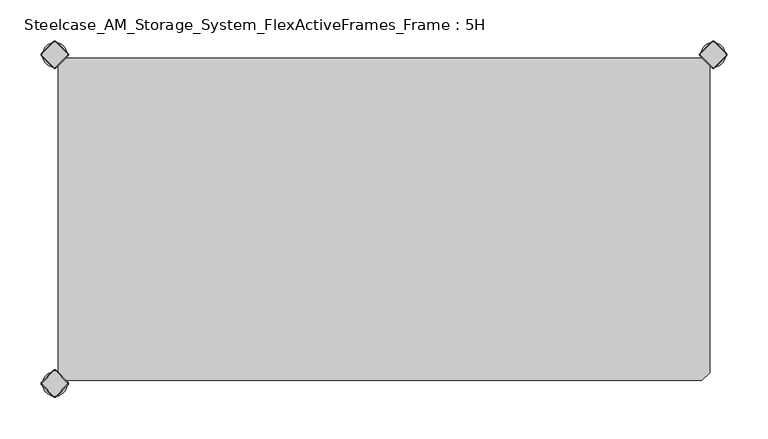
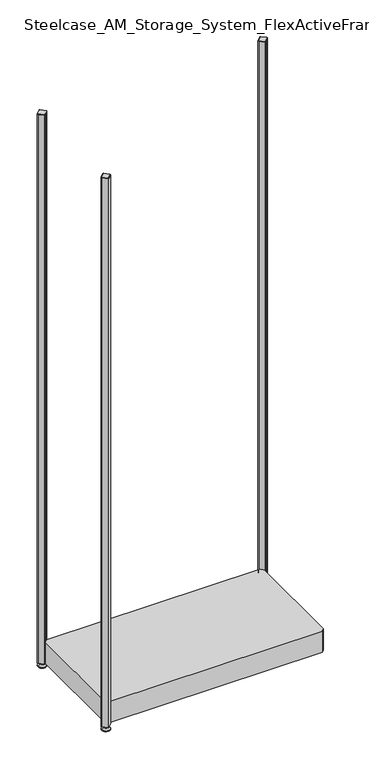
"""IFC4 building model written with IfcOpenShell, lengths in millimetres: furniture geometry, Steelcase_AM_Storage_System_FlexActiveFrames_Frame : 5H."""

from ifc_helpers import new_model, si_unit, point, frame, frame_2d, origin, place, context, project, spatial, polyline, circle_curve, trimmed, segment, composite_curve, outline, extrude, source, transform, mapped, element, save
from ifc_brep_helpers import plane_surface, cylinder_surface, revolved_surface, advanced_brep


def steelcase_am_storage_system_flexactiveframes_frame_5h_1565d2d5(model_context):
    return source(origin(), model_context, "Body", "SolidModel", [
        advanced_brep(
        [(785.0, 0.0, 0.0), (815.0, 0.0, 0.0), (800.0, 0.0, 0.0), (785.0, 0.0, 2.0), (815.0, 0.0, 2.0), (792.0, 0.0, 9.0), (808.0, 0.0, 9.0), (796.0, 0.0, 9.0), (804.0, 0.0, 9.0), (796.0, 0.0, 15.0), (804.0, 0.0, 15.0), (800.0, 0.0, 15.0)],
        [
            (0, 1, circle_curve(frame((800.0, 0.0, 0.0), z_axis=(0.0, 0.0, -1.0), x_axis=(1.0, 0.0, 0.0)), 15.0)),
            (1, 2),
            (2, 0),
            (1, 0, circle_curve(frame((800.0, 0.0, 0.0), z_axis=(0.0, 0.0, -1.0), x_axis=(1.0, 0.0, 0.0)), 15.0)),
            (3, 4, circle_curve(frame((800.0, 0.0, 2.0), z_axis=(0.0, 0.0, -1.0), x_axis=(1.0, 0.0, 0.0)), 15.0)),
            (4, 1),
            (0, 3),
            (4, 3, circle_curve(frame((800.0, 0.0, 2.0), z_axis=(0.0, 0.0, -1.0), x_axis=(1.0, 0.0, 0.0)), 15.0)),
            (5, 6, circle_curve(frame((800.0, 0.0, 9.0), z_axis=(0.0, 0.0, -1.0), x_axis=(1.0, 0.0, 0.0)), 8.0)),
            (6, 4),
            (3, 5),
            (6, 5, circle_curve(frame((800.0, 0.0, 9.0), z_axis=(0.0, 0.0, -1.0), x_axis=(1.0, 0.0, 0.0)), 8.0)),
            (7, 8, circle_curve(frame((800.0, 0.0, 9.0), z_axis=(0.0, 0.0, -1.0), x_axis=(1.0, 0.0, 0.0)), 4.0)),
            (8, 6),
            (5, 7),
            (8, 7, circle_curve(frame((800.0, 0.0, 9.0), z_axis=(0.0, 0.0, -1.0), x_axis=(1.0, 0.0, 0.0)), 4.0)),
            (9, 10, circle_curve(frame((800.0, 0.0, 15.0), z_axis=(0.0, 0.0, -1.0), x_axis=(1.0, 0.0, 0.0)), 4.0)),
            (10, 8),
            (7, 9),
            (10, 9, circle_curve(frame((800.0, 0.0, 15.0), z_axis=(0.0, 0.0, -1.0), x_axis=(1.0, 0.0, 0.0)), 4.0)),
            (11, 10),
            (9, 11),
        ],
        [
            plane_surface(frame((800.0, 0.0, 0.0), z_axis=(0.0, 0.0, -1.0), x_axis=(1.0, 0.0, 0.0))),
            cylinder_surface(frame((800.0, 0.0, 18.6083303), z_axis=(0.0, 0.0, 1.0), x_axis=(1.0, 0.0, 0.0)), 15.0),
            revolved_surface(polyline([(815.0, 0.0, 2.0), (808.0, 0.0, 9.0)]), (800.0, 0.0, 18.6083303), (0.0, 0.0, 1.0)),
            plane_surface(frame((800.0, 0.0, 9.0), z_axis=(0.0, 0.0, 1.0), x_axis=(1.0, 0.0, 0.0))),
            cylinder_surface(frame((800.0, 0.0, 18.6083303), z_axis=(0.0, 0.0, 1.0), x_axis=(1.0, 0.0, 0.0)), 4.0),
            plane_surface(frame((800.0, 0.0, 15.0), z_axis=(0.0, 0.0, 1.0), x_axis=(1.0, 0.0, 0.0))),
        ],
        [
            (0, [[1, 2, 3]]),
            (0, [[4, -3, -2]]),
            (1, [[5, 6, -1, 7]]),
            (1, [[8, -7, -4, -6]]),
            (2, [[9, 10, -5, 11]]),
            (2, [[12, -11, -8, -10]]),
            (3, [[13, 14, -9, 15]]),
            (3, [[16, -15, -12, -14]]),
            (4, [[17, 18, -13, 19]]),
            (4, [[20, -19, -16, -18]]),
            (5, [[21, -17, 22]]),
            (5, [[-22, -20, -21]]),
        ],
    ),
        advanced_brep(
        [(798.7979185, 15.3442172, 2117.0), (784.6557828, 1.2020815, 2117.0), (784.6557828, -1.2020815, 2117.0), (798.7979185, -15.3442172, 2117.0), (801.2020815, -15.3442172, 2117.0), (815.3442172, -1.2020815, 2117.0), (815.3442172, 1.2020815, 2117.0), (801.2020815, 15.3442172, 2117.0), (798.232233, 15.9099026, 2115.0), (801.767767, 15.9099026, 2115.0), (815.9099026, 1.767767, 2115.0), (815.9099026, -1.767767, 2115.0), (801.767767, -15.9099026, 2115.0), (798.232233, -15.9099026, 2115.0), (784.0900974, -1.767767, 2115.0), (784.0900974, 1.767767, 2115.0)],
        [
            (0, 1),
            (1, 2, circle_curve(frame((785.8578644, 0.0, 2117.0), z_axis=(0.0, 0.0, 1.0), x_axis=(-0.7071067811865537, 0.7071067811865414, 0.0)), 1.7)),
            (2, 3),
            (3, 4, circle_curve(frame((800.0, -14.1421356, 2117.0), z_axis=(0.0, 0.0, 1.0), x_axis=(-0.7071067811865491, -0.707106781186546, 0.0)), 1.7)),
            (4, 5),
            (5, 6, circle_curve(frame((814.1421356, 0.0, 2117.0), z_axis=(0.0, 0.0, 1.0), x_axis=(0.707106781186539, -0.7071067811865559, 0.0)), 1.7)),
            (6, 7),
            (7, 0, circle_curve(frame((800.0, 14.1421356, 2117.0), z_axis=(0.0, 0.0, 1.0), x_axis=(0.7071067811865458, 0.7071067811865492, 0.0)), 1.7)),
            (8, 9, circle_curve(frame((800.0, 14.1421356, 2115.0), z_axis=(0.0, 0.0, -1.0), x_axis=(0.7071067811865458, 0.7071067811865492, 0.0)), 2.5)),
            (9, 10),
            (10, 11, circle_curve(frame((814.1421356, 0.0, 2115.0), z_axis=(0.0, 0.0, -1.0), x_axis=(0.707106781186539, -0.7071067811865559, 0.0)), 2.5)),
            (11, 12),
            (12, 13, circle_curve(frame((800.0, -14.1421356, 2115.0), z_axis=(0.0, 0.0, -1.0), x_axis=(-0.7071067811865491, -0.707106781186546, 0.0)), 2.5)),
            (13, 14),
            (14, 15, circle_curve(frame((785.8578644, 0.0, 2115.0), z_axis=(0.0, 0.0, -1.0), x_axis=(-0.7071067811865537, 0.7071067811865414, 0.0)), 2.5)),
            (15, 8),
            (15, 1),
            (0, 8),
            (14, 2),
            (13, 3),
            (12, 4),
            (11, 5),
            (10, 6),
            (9, 7),
        ],
        [
            plane_surface(frame((800.0, 0.0, 2117.0), z_axis=(0.0, 0.0, 1.0), x_axis=(-0.7071067811865486, 0.7071067811865466, 0.0))),
            plane_surface(frame((800.0, 0.0, 2115.0), z_axis=(0.0, 0.0, -1.0), x_axis=(-0.7071067811865486, 0.7071067811865466, 0.0))),
            plane_surface(frame((791.1611652, 8.8388348, 2115.0), z_axis=(-0.6565321642986406, 0.656532164298628, 0.3713906763540281), x_axis=(-0.7071067811865408, -0.7071067811865543, 0.0))),
            revolved_surface(polyline([(784.65578284, 1.20208156, 2117.0), (784.0900974, 1.767767, 2115.0)]), (785.8578644, 0.0, 2121.25), (0.0, 0.0, -1.0)),
            plane_surface(frame((791.1611652, -8.8388348, 2115.0), z_axis=(-0.6565321642986325, -0.6565321642986414, 0.3713906763540188), x_axis=(0.7071067811865523, -0.7071067811865428, 0.0))),
            revolved_surface(polyline([(798.79791844, -15.34421716, 2117.0), (798.232233, -15.9099026, 2115.0)]), (800.0, -14.1421356, 2121.25), (0.0, 0.0, -1.0)),
            plane_surface(frame((808.8388348, -8.8388348, 2115.0), z_axis=(0.6565321642986457, -0.6565321642986508, 0.3713906763539787), x_axis=(0.7071067811865541, 0.707106781186541, 0.0))),
            revolved_surface(polyline([(815.34421716, -1.20208156, 2117.0), (815.9099026, -1.767767, 2115.0)]), (814.1421356, 0.0, 2121.25), (0.0, 0.0, -1.0)),
            plane_surface(frame((808.8388348, 8.8388348, 2115.0), z_axis=(0.656532164298657, 0.6565321642986371, 0.37139067635398293), x_axis=(-0.7071067811865407, 0.7071067811865545, 0.0))),
            revolved_surface(polyline([(801.20208156, 15.34421716, 2117.0), (801.767767, 15.9099026, 2115.0)]), (800.0, 14.1421356, 2121.25), (0.0, 0.0, -1.0)),
        ],
        [
            (0, [[1, 2, 3, 4, 5, 6, 7, 8]]),
            (1, [[9, 10, 11, 12, 13, 14, 15, 16]]),
            (2, [[-16, 17, -1, 18]]),
            (3, [[-15, 19, -2, -17]]),
            (4, [[-14, 20, -3, -19]]),
            (5, [[-13, 21, -4, -20]]),
            (6, [[-12, 22, -5, -21]]),
            (7, [[-11, 23, -6, -22]]),
            (8, [[-10, 24, -7, -23]]),
            (9, [[-9, -18, -8, -24]]),
        ],
    ),
        extrude(outline(composite_curve([segment(trimmed(circle_curve(frame_2d((814.1421356, 0.0)), 2.5), [point((815.9099026, 1.767767))], [point((815.9099026, -1.767767))], False, "CARTESIAN"), True, "CONTINUOUS"), segment(polyline([(815.9099026, -1.767767), (801.767767, -15.9099026)]), True, "CONTINUOUS"), segment(trimmed(circle_curve(frame_2d((800.0, -14.1421356)), 2.5), [point((801.767767, -15.9099026))], [point((798.232233, -15.9099026))], False, "CARTESIAN"), True, "CONTINUOUS"), segment(polyline([(798.232233, -15.9099026), (784.0900974, -1.767767)]), True, "CONTINUOUS"), segment(trimmed(circle_curve(frame_2d((785.8578644, 0.0)), 2.5), [point((784.0900974, -1.767767))], [point((784.0900974, 1.767767))], False, "CARTESIAN"), True, "CONTINUOUS"), segment(polyline([(784.0900974, 1.767767), (798.232233, 15.9099026)]), True, "CONTINUOUS"), segment(trimmed(circle_curve(frame_2d((800.0, 14.1421356)), 2.5), [point((798.232233, 15.9099026))], [point((801.767767, 15.9099026))], False, "CARTESIAN"), True, "CONTINUOUS"), segment(polyline([(801.767767, 15.9099026), (815.9099026, 1.767767)]), True, "CONTINUOUS")], self_intersect=False)), frame((0.0, 0.0, 15.0), z_axis=(0.0, 0.0, 1.0), x_axis=(1.0, 0.0, 0.0)), (0.0, 0.0, 1.0), 2100.0),
        advanced_brep(
        [(-15.0, -400.0, 0.0), (15.0, -400.0, 0.0), (0.0, -400.0, 0.0), (-15.0, -400.0, 2.0), (15.0, -400.0, 2.0), (-8.0, -400.0, 9.0), (8.0, -400.0, 9.0), (-4.0, -400.0, 9.0), (4.0, -400.0, 9.0), (-4.0, -400.0, 15.0), (4.0, -400.0, 15.0), (0.0, -400.0, 15.0)],
        [
            (0, 1, circle_curve(frame((0.0, -400.0, 0.0), z_axis=(0.0, 0.0, -1.0), x_axis=(1.0, 0.0, 0.0)), 15.0)),
            (1, 2),
            (2, 0),
            (1, 0, circle_curve(frame((0.0, -400.0, 0.0), z_axis=(0.0, 0.0, -1.0), x_axis=(1.0, 0.0, 0.0)), 15.0)),
            (3, 4, circle_curve(frame((0.0, -400.0, 2.0), z_axis=(0.0, 0.0, -1.0), x_axis=(1.0, 0.0, 0.0)), 15.0)),
            (4, 1),
            (0, 3),
            (4, 3, circle_curve(frame((0.0, -400.0, 2.0), z_axis=(0.0, 0.0, -1.0), x_axis=(1.0, 0.0, 0.0)), 15.0)),
            (5, 6, circle_curve(frame((0.0, -400.0, 9.0), z_axis=(0.0, 0.0, -1.0), x_axis=(1.0, 0.0, 0.0)), 8.0)),
            (6, 4),
            (3, 5),
            (6, 5, circle_curve(frame((0.0, -400.0, 9.0), z_axis=(0.0, 0.0, -1.0), x_axis=(1.0, 0.0, 0.0)), 8.0)),
            (7, 8, circle_curve(frame((0.0, -400.0, 9.0), z_axis=(0.0, 0.0, -1.0), x_axis=(1.0, 0.0, 0.0)), 4.0)),
            (8, 6),
            (5, 7),
            (8, 7, circle_curve(frame((0.0, -400.0, 9.0), z_axis=(0.0, 0.0, -1.0), x_axis=(1.0, 0.0, 0.0)), 4.0)),
            (9, 10, circle_curve(frame((0.0, -400.0, 15.0), z_axis=(0.0, 0.0, -1.0), x_axis=(1.0, 0.0, 0.0)), 4.0)),
            (10, 8),
            (7, 9),
            (10, 9, circle_curve(frame((0.0, -400.0, 15.0), z_axis=(0.0, 0.0, -1.0), x_axis=(1.0, 0.0, 0.0)), 4.0)),
            (11, 10),
            (9, 11),
        ],
        [
            plane_surface(frame((0.0, -400.0, 0.0), z_axis=(0.0, 0.0, -1.0), x_axis=(1.0, 0.0, 0.0))),
            cylinder_surface(frame((0.0, -400.0, 18.6083303), z_axis=(0.0, 0.0, 1.0), x_axis=(1.0, 0.0, 0.0)), 15.0),
            revolved_surface(polyline([(15.0, -400.0, 2.0), (8.0, -400.0, 9.0)]), (0.0, -400.0, 18.6083303), (0.0, 0.0, 1.0)),
            plane_surface(frame((0.0, -400.0, 9.0), z_axis=(0.0, 0.0, 1.0), x_axis=(1.0, 0.0, 0.0))),
            cylinder_surface(frame((0.0, -400.0, 18.6083303), z_axis=(0.0, 0.0, 1.0), x_axis=(1.0, 0.0, 0.0)), 4.0),
            plane_surface(frame((0.0, -400.0, 15.0), z_axis=(0.0, 0.0, 1.0), x_axis=(1.0, 0.0, 0.0))),
        ],
        [
            (0, [[1, 2, 3]]),
            (0, [[4, -3, -2]]),
            (1, [[5, 6, -1, 7]]),
            (1, [[8, -7, -4, -6]]),
            (2, [[9, 10, -5, 11]]),
            (2, [[12, -11, -8, -10]]),
            (3, [[13, 14, -9, 15]]),
            (3, [[16, -15, -12, -14]]),
            (4, [[17, 18, -13, 19]]),
            (4, [[20, -19, -16, -18]]),
            (5, [[21, -17, 22]]),
            (5, [[-22, -20, -21]]),
        ],
    ),
        advanced_brep(
        [(-1.2020815, -384.6557828, 2117.0), (-15.3442172, -398.7979185, 2117.0), (-15.3442172, -401.2020815, 2117.0), (-1.2020815, -415.3442172, 2117.0), (1.2020815, -415.3442172, 2117.0), (15.3442172, -401.2020815, 2117.0), (15.3442172, -398.7979185, 2117.0), (1.2020815, -384.6557828, 2117.0), (-1.767767, -384.0900974, 2115.0), (1.767767, -384.0900974, 2115.0), (15.9099026, -398.232233, 2115.0), (15.9099026, -401.767767, 2115.0), (1.767767, -415.9099026, 2115.0), (-1.767767, -415.9099026, 2115.0), (-15.9099026, -401.767767, 2115.0), (-15.9099026, -398.232233, 2115.0)],
        [
            (0, 1),
            (1, 2, circle_curve(frame((-14.1421356, -400.0, 2117.0), z_axis=(0.0, 0.0, 1.0), x_axis=(-0.7071067811865537, 0.7071067811865414, 0.0)), 1.7)),
            (2, 3),
            (3, 4, circle_curve(frame((0.0, -414.1421356, 2117.0), z_axis=(0.0, 0.0, 1.0), x_axis=(-0.7071067811865491, -0.707106781186546, 0.0)), 1.7)),
            (4, 5),
            (5, 6, circle_curve(frame((14.1421356, -400.0, 2117.0), z_axis=(0.0, 0.0, 1.0), x_axis=(0.707106781186539, -0.7071067811865559, 0.0)), 1.7)),
            (6, 7),
            (7, 0, circle_curve(frame((0.0, -385.8578644, 2117.0), z_axis=(0.0, 0.0, 1.0), x_axis=(0.7071067811865458, 0.7071067811865492, 0.0)), 1.7)),
            (8, 9, circle_curve(frame((0.0, -385.8578644, 2115.0), z_axis=(0.0, 0.0, -1.0), x_axis=(0.7071067811865458, 0.7071067811865492, 0.0)), 2.5)),
            (9, 10),
            (10, 11, circle_curve(frame((14.1421356, -400.0, 2115.0), z_axis=(0.0, 0.0, -1.0), x_axis=(0.707106781186539, -0.7071067811865559, 0.0)), 2.5)),
            (11, 12),
            (12, 13, circle_curve(frame((0.0, -414.1421356, 2115.0), z_axis=(0.0, 0.0, -1.0), x_axis=(-0.7071067811865491, -0.707106781186546, 0.0)), 2.5)),
            (13, 14),
            (14, 15, circle_curve(frame((-14.1421356, -400.0, 2115.0), z_axis=(0.0, 0.0, -1.0), x_axis=(-0.7071067811865537, 0.7071067811865414, 0.0)), 2.5)),
            (15, 8),
            (15, 1),
            (0, 8),
            (14, 2),
            (13, 3),
            (12, 4),
            (11, 5),
            (10, 6),
            (9, 7),
        ],
        [
            plane_surface(frame((0.0, -400.0, 2117.0), z_axis=(0.0, 0.0, 1.0), x_axis=(-0.7071067811865486, 0.7071067811865466, 0.0))),
            plane_surface(frame((0.0, -400.0, 2115.0), z_axis=(0.0, 0.0, -1.0), x_axis=(-0.7071067811865486, 0.7071067811865466, 0.0))),
            plane_surface(frame((-8.8388348, -391.1611652, 2115.0), z_axis=(-0.6565321642986406, 0.656532164298628, 0.3713906763540281), x_axis=(-0.7071067811865408, -0.7071067811865543, 0.0))),
            revolved_surface(polyline([(-15.34421716, -398.79791844, 2117.0), (-15.9099026, -398.232233, 2115.0)]), (-14.1421356, -400.0, 2121.25), (0.0, 0.0, -1.0)),
            plane_surface(frame((-8.8388348, -408.8388348, 2115.0), z_axis=(-0.6565321642986325, -0.6565321642986414, 0.3713906763540188), x_axis=(0.7071067811865523, -0.7071067811865428, 0.0))),
            revolved_surface(polyline([(-1.20208156, -415.34421716, 2117.0), (-1.767767, -415.9099026, 2115.0)]), (0.0, -414.1421356, 2121.25), (0.0, 0.0, -1.0)),
            plane_surface(frame((8.8388348, -408.8388348, 2115.0), z_axis=(0.6565321642986457, -0.6565321642986508, 0.3713906763539787), x_axis=(0.7071067811865541, 0.707106781186541, 0.0))),
            revolved_surface(polyline([(15.34421716, -401.20208156, 2117.0), (15.9099026, -401.767767, 2115.0)]), (14.1421356, -400.0, 2121.25), (0.0, 0.0, -1.0)),
            plane_surface(frame((8.8388348, -391.1611652, 2115.0), z_axis=(0.656532164298657, 0.6565321642986371, 0.37139067635398293), x_axis=(-0.7071067811865407, 0.7071067811865545, 0.0))),
            revolved_surface(polyline([(1.20208156, -384.65578284, 2117.0), (1.767767, -384.0900974, 2115.0)]), (0.0, -385.8578644, 2121.25), (0.0, 0.0, -1.0)),
        ],
        [
            (0, [[1, 2, 3, 4, 5, 6, 7, 8]]),
            (1, [[9, 10, 11, 12, 13, 14, 15, 16]]),
            (2, [[-16, 17, -1, 18]]),
            (3, [[-15, 19, -2, -17]]),
            (4, [[-14, 20, -3, -19]]),
            (5, [[-13, 21, -4, -20]]),
            (6, [[-12, 22, -5, -21]]),
            (7, [[-11, 23, -6, -22]]),
            (8, [[-10, 24, -7, -23]]),
            (9, [[-9, -18, -8, -24]]),
        ],
    ),
        extrude(outline(composite_curve([segment(trimmed(circle_curve(frame_2d((14.1421356, -400.0)), 2.5), [point((15.9099026, -398.232233))], [point((15.9099026, -401.767767))], False, "CARTESIAN"), True, "CONTINUOUS"), segment(polyline([(15.9099026, -401.767767), (1.767767, -415.9099026)]), True, "CONTINUOUS"), segment(trimmed(circle_curve(frame_2d((0.0, -414.1421356)), 2.5), [point((1.767767, -415.9099026))], [point((-1.767767, -415.9099026))], False, "CARTESIAN"), True, "CONTINUOUS"), segment(polyline([(-1.767767, -415.9099026), (-15.9099026, -401.767767)]), True, "CONTINUOUS"), segment(trimmed(circle_curve(frame_2d((-14.1421356, -400.0)), 2.5), [point((-15.9099026, -401.767767))], [point((-15.9099026, -398.232233))], False, "CARTESIAN"), True, "CONTINUOUS"), segment(polyline([(-15.9099026, -398.232233), (-1.767767, -384.0900974)]), True, "CONTINUOUS"), segment(trimmed(circle_curve(frame_2d((0.0, -385.8578644)), 2.5), [point((-1.767767, -384.0900974))], [point((1.767767, -384.0900974))], False, "CARTESIAN"), True, "CONTINUOUS"), segment(polyline([(1.767767, -384.0900974), (15.9099026, -398.232233)]), True, "CONTINUOUS")], self_intersect=False)), frame((0.0, 0.0, 15.0), z_axis=(0.0, 0.0, 1.0), x_axis=(1.0, 0.0, 0.0)), (0.0, 0.0, 1.0), 2100.0),
        advanced_brep(
        [(-15.0, 0.0, 0.0), (15.0, 0.0, 0.0), (0.0, 0.0, 0.0), (-15.0, 0.0, 2.0), (15.0, 0.0, 2.0), (-8.0, 0.0, 9.0), (8.0, 0.0, 9.0), (-4.0, 0.0, 9.0), (4.0, 0.0, 9.0), (-4.0, 0.0, 15.0), (4.0, 0.0, 15.0), (0.0, 0.0, 15.0)],
        [
            (0, 1, circle_curve(frame((0.0, 0.0, 0.0), z_axis=(0.0, 0.0, -1.0), x_axis=(1.0, 0.0, 0.0)), 15.0)),
            (1, 2),
            (2, 0),
            (1, 0, circle_curve(frame((0.0, 0.0, 0.0), z_axis=(0.0, 0.0, -1.0), x_axis=(1.0, 0.0, 0.0)), 15.0)),
            (3, 4, circle_curve(frame((0.0, 0.0, 2.0), z_axis=(0.0, 0.0, -1.0), x_axis=(1.0, 0.0, 0.0)), 15.0)),
            (4, 1),
            (0, 3),
            (4, 3, circle_curve(frame((0.0, 0.0, 2.0), z_axis=(0.0, 0.0, -1.0), x_axis=(1.0, 0.0, 0.0)), 15.0)),
            (5, 6, circle_curve(frame((0.0, 0.0, 9.0), z_axis=(0.0, 0.0, -1.0), x_axis=(1.0, 0.0, 0.0)), 8.0)),
            (6, 4),
            (3, 5),
            (6, 5, circle_curve(frame((0.0, 0.0, 9.0), z_axis=(0.0, 0.0, -1.0), x_axis=(1.0, 0.0, 0.0)), 8.0)),
            (7, 8, circle_curve(frame((0.0, 0.0, 9.0), z_axis=(0.0, 0.0, -1.0), x_axis=(1.0, 0.0, 0.0)), 4.0)),
            (8, 6),
            (5, 7),
            (8, 7, circle_curve(frame((0.0, 0.0, 9.0), z_axis=(0.0, 0.0, -1.0), x_axis=(1.0, 0.0, 0.0)), 4.0)),
            (9, 10, circle_curve(frame((0.0, 0.0, 15.0), z_axis=(0.0, 0.0, -1.0), x_axis=(1.0, 0.0, 0.0)), 4.0)),
            (10, 8),
            (7, 9),
            (10, 9, circle_curve(frame((0.0, 0.0, 15.0), z_axis=(0.0, 0.0, -1.0), x_axis=(1.0, 0.0, 0.0)), 4.0)),
            (11, 10),
            (9, 11),
        ],
        [
            plane_surface(frame((0.0, 0.0, 0.0), z_axis=(0.0, 0.0, -1.0), x_axis=(1.0, 0.0, 0.0))),
            cylinder_surface(frame((0.0, 0.0, 18.6083303), z_axis=(0.0, 0.0, 1.0), x_axis=(1.0, 0.0, 0.0)), 15.0),
            revolved_surface(polyline([(15.0, 0.0, 2.0), (8.0, 0.0, 9.0)]), (0.0, 0.0, 18.6083303), (0.0, 0.0, 1.0)),
            plane_surface(frame((0.0, 0.0, 9.0), z_axis=(0.0, 0.0, 1.0), x_axis=(1.0, 0.0, 0.0))),
            cylinder_surface(frame((0.0, 0.0, 18.6083303), z_axis=(0.0, 0.0, 1.0), x_axis=(1.0, 0.0, 0.0)), 4.0),
            plane_surface(frame((0.0, 0.0, 15.0), z_axis=(0.0, 0.0, 1.0), x_axis=(1.0, 0.0, 0.0))),
        ],
        [
            (0, [[1, 2, 3]]),
            (0, [[4, -3, -2]]),
            (1, [[5, 6, -1, 7]]),
            (1, [[8, -7, -4, -6]]),
            (2, [[9, 10, -5, 11]]),
            (2, [[12, -11, -8, -10]]),
            (3, [[13, 14, -9, 15]]),
            (3, [[16, -15, -12, -14]]),
            (4, [[17, 18, -13, 19]]),
            (4, [[20, -19, -16, -18]]),
            (5, [[21, -17, 22]]),
            (5, [[-22, -20, -21]]),
        ],
    ),
        advanced_brep(
        [(-1.2020815, 15.3442172, 2117.0), (-15.3442172, 1.2020815, 2117.0), (-15.3442172, -1.2020815, 2117.0), (-1.2020815, -15.3442172, 2117.0), (1.2020815, -15.3442172, 2117.0), (15.3442172, -1.2020815, 2117.0), (15.3442172, 1.2020815, 2117.0), (1.2020815, 15.3442172, 2117.0), (-1.767767, 15.9099026, 2115.0), (1.767767, 15.9099026, 2115.0), (15.9099026, 1.767767, 2115.0), (15.9099026, -1.767767, 2115.0), (1.767767, -15.9099026, 2115.0), (-1.767767, -15.9099026, 2115.0), (-15.9099026, -1.767767, 2115.0), (-15.9099026, 1.767767, 2115.0)],
        [
            (0, 1),
            (1, 2, circle_curve(frame((-14.1421356, 0.0, 2117.0), z_axis=(0.0, 0.0, 1.0), x_axis=(-0.7071067811865537, 0.7071067811865414, 0.0)), 1.7)),
            (2, 3),
            (3, 4, circle_curve(frame((0.0, -14.1421356, 2117.0), z_axis=(0.0, 0.0, 1.0), x_axis=(-0.7071067811865491, -0.707106781186546, 0.0)), 1.7)),
            (4, 5),
            (5, 6, circle_curve(frame((14.1421356, 0.0, 2117.0), z_axis=(0.0, 0.0, 1.0), x_axis=(0.707106781186539, -0.7071067811865559, 0.0)), 1.7)),
            (6, 7),
            (7, 0, circle_curve(frame((0.0, 14.1421356, 2117.0), z_axis=(0.0, 0.0, 1.0), x_axis=(0.7071067811865458, 0.7071067811865492, 0.0)), 1.7)),
            (8, 9, circle_curve(frame((0.0, 14.1421356, 2115.0), z_axis=(0.0, 0.0, -1.0), x_axis=(0.7071067811865458, 0.7071067811865492, 0.0)), 2.5)),
            (9, 10),
            (10, 11, circle_curve(frame((14.1421356, 0.0, 2115.0), z_axis=(0.0, 0.0, -1.0), x_axis=(0.707106781186539, -0.7071067811865559, 0.0)), 2.5)),
            (11, 12),
            (12, 13, circle_curve(frame((0.0, -14.1421356, 2115.0), z_axis=(0.0, 0.0, -1.0), x_axis=(-0.7071067811865491, -0.707106781186546, 0.0)), 2.5)),
            (13, 14),
            (14, 15, circle_curve(frame((-14.1421356, 0.0, 2115.0), z_axis=(0.0, 0.0, -1.0), x_axis=(-0.7071067811865537, 0.7071067811865414, 0.0)), 2.5)),
            (15, 8),
            (15, 1),
            (0, 8),
            (14, 2),
            (13, 3),
            (12, 4),
            (11, 5),
            (10, 6),
            (9, 7),
        ],
        [
            plane_surface(frame((0.0, 0.0, 2117.0), z_axis=(0.0, 0.0, 1.0), x_axis=(-0.7071067811865486, 0.7071067811865466, 0.0))),
            plane_surface(frame((0.0, 0.0, 2115.0), z_axis=(0.0, 0.0, -1.0), x_axis=(-0.7071067811865486, 0.7071067811865466, 0.0))),
            plane_surface(frame((-8.8388348, 8.8388348, 2115.0), z_axis=(-0.6565321642986406, 0.656532164298628, 0.3713906763540281), x_axis=(-0.7071067811865408, -0.7071067811865543, 0.0))),
            revolved_surface(polyline([(-15.34421716, 1.20208156, 2117.0), (-15.9099026, 1.767767, 2115.0)]), (-14.1421356, 0.0, 2121.25), (0.0, 0.0, -1.0)),
            plane_surface(frame((-8.8388348, -8.8388348, 2115.0), z_axis=(-0.6565321642986325, -0.6565321642986414, 0.3713906763540188), x_axis=(0.7071067811865523, -0.7071067811865428, 0.0))),
            revolved_surface(polyline([(-1.20208156, -15.34421716, 2117.0), (-1.767767, -15.9099026, 2115.0)]), (0.0, -14.1421356, 2121.25), (0.0, 0.0, -1.0)),
            plane_surface(frame((8.8388348, -8.8388348, 2115.0), z_axis=(0.6565321642986457, -0.6565321642986508, 0.3713906763539787), x_axis=(0.7071067811865541, 0.707106781186541, 0.0))),
            revolved_surface(polyline([(15.34421716, -1.20208156, 2117.0), (15.9099026, -1.767767, 2115.0)]), (14.1421356, 0.0, 2121.25), (0.0, 0.0, -1.0)),
            plane_surface(frame((8.8388348, 8.8388348, 2115.0), z_axis=(0.656532164298657, 0.6565321642986371, 0.37139067635398293), x_axis=(-0.7071067811865407, 0.7071067811865545, 0.0))),
            revolved_surface(polyline([(1.20208156, 15.34421716, 2117.0), (1.767767, 15.9099026, 2115.0)]), (0.0, 14.1421356, 2121.25), (0.0, 0.0, -1.0)),
        ],
        [
            (0, [[1, 2, 3, 4, 5, 6, 7, 8]]),
            (1, [[9, 10, 11, 12, 13, 14, 15, 16]]),
            (2, [[-16, 17, -1, 18]]),
            (3, [[-15, 19, -2, -17]]),
            (4, [[-14, 20, -3, -19]]),
            (5, [[-13, 21, -4, -20]]),
            (6, [[-12, 22, -5, -21]]),
            (7, [[-11, 23, -6, -22]]),
            (8, [[-10, 24, -7, -23]]),
            (9, [[-9, -18, -8, -24]]),
        ],
    ),
        extrude(outline(composite_curve([segment(trimmed(circle_curve(frame_2d((14.1421356, 0.0)), 2.5), [point((15.9099026, 1.767767))], [point((15.9099026, -1.767767))], False, "CARTESIAN"), True, "CONTINUOUS"), segment(polyline([(15.9099026, -1.767767), (1.767767, -15.9099026)]), True, "CONTINUOUS"), segment(trimmed(circle_curve(frame_2d((0.0, -14.1421356)), 2.5), [point((1.767767, -15.9099026))], [point((-1.767767, -15.9099026))], False, "CARTESIAN"), True, "CONTINUOUS"), segment(polyline([(-1.767767, -15.9099026), (-15.9099026, -1.767767)]), True, "CONTINUOUS"), segment(trimmed(circle_curve(frame_2d((-14.1421356, 0.0)), 2.5), [point((-15.9099026, -1.767767))], [point((-15.9099026, 1.767767))], False, "CARTESIAN"), True, "CONTINUOUS"), segment(polyline([(-15.9099026, 1.767767), (-1.767767, 15.9099026)]), True, "CONTINUOUS"), segment(trimmed(circle_curve(frame_2d((0.0, 14.1421356)), 2.5), [point((-1.767767, 15.9099026))], [point((1.767767, 15.9099026))], False, "CARTESIAN"), True, "CONTINUOUS"), segment(polyline([(1.767767, 15.9099026), (15.9099026, 1.767767)]), True, "CONTINUOUS")], self_intersect=False)), frame((0.0, 0.0, 15.0), z_axis=(0.0, 0.0, 1.0), x_axis=(1.0, 0.0, 0.0)), (0.0, 0.0, 1.0), 2100.0),
        extrude(outline(polyline([(4.0, -13.6776695), (13.6776695, -4.0), (786.3223305, -4.0), (796.0, -13.6776695), (796.0, -386.3223305), (786.3223305, -396.0), (13.6776695, -396.0), (4.0, -386.3223305), (4.0, -13.6776695)])), frame((0.0, 0.0, 16.0), z_axis=(0.0, 0.0, 1.0), x_axis=(1.0, 0.0, 0.0)), (0.0, 0.0, 1.0), 80.0),
    ])


if __name__ == "__main__":
    model = new_model("IFC4")
    model_context = context("Model", 3, world=origin())
    ifc_project = project(units=[si_unit("LENGTHUNIT", "METRE", prefix="MILLI")], contexts=[model_context])
    site = spatial("IfcSite", under=ifc_project)
    building = spatial("IfcBuilding", under=site)
    placement = place(None, origin())
    steelcase_am_storage_system_flexactiveframes_frame_5h_shape = steelcase_am_storage_system_flexactiveframes_frame_5h_1565d2d5(model_context)
    element("IfcFurniture", 1, ObjectType="Steelcase_AM_Storage_System_FlexActiveFrames_Frame : 5H", at=placement, inside=building, context=model_context, shape_type="MappedRepresentation", body=[
        mapped(steelcase_am_storage_system_flexactiveframes_frame_5h_shape, transform((0.0, 0.0, 0.0), x_axis=(1.0, 0.0, 0.0), y_axis=(0.0, 1.0, 0.0), z_axis=(0.0, 0.0, 1.0))),
    ])
    save(model, "model.ifc")
